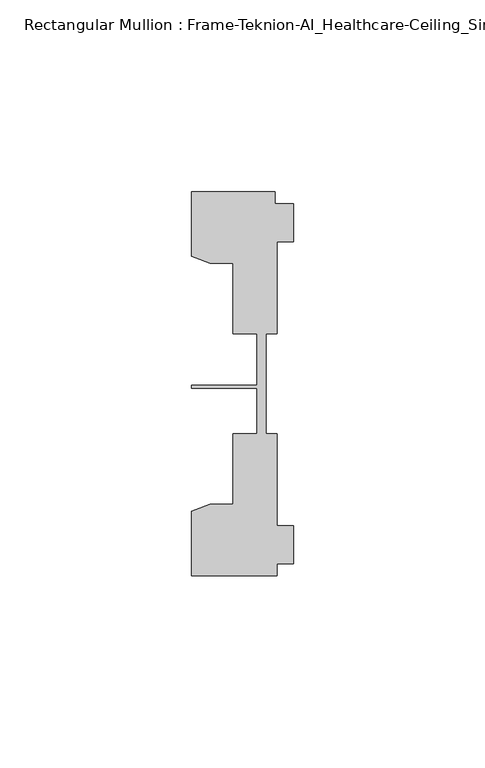
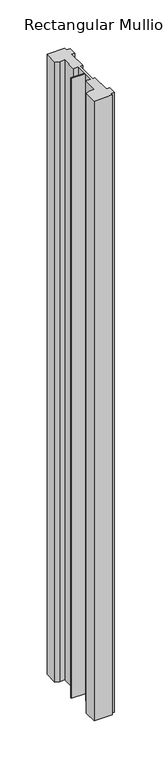
"""IFC4 building model written with IfcOpenShell, lengths in millimetres: member geometry, Rectangular Mullion : Frame-Teknion-AI_Healthcare-Ceiling_Single_Channel."""

from ifc_helpers import new_model, si_unit, frame, origin, place, context, project, spatial, polyline, outline, extrude, source, transform, mapped, element, save


def rectangular_mullion_frame_teknion_ai_healthcare_ceiling_9bc12ab3(model_context):
    return source(origin(), model_context, "Body", "SweptSolid", [
        extrude(outline(polyline([(-26.4921999, 34.0201677), (-26.4921999, 50.8315128), (-4.7752002, 50.8315128), (-4.7752002, 47.782071), (0.0, 47.782071), (0.0, 37.7820716), (-4.2672007, 37.7820716), (-4.2672007, 13.9110722), (-7.1647766, 13.9110722), (-7.1647766, 0.0814804), (-7.1647766, -12.2509301), (-4.2672007, -12.2509301), (-4.2672007, -36.1219249), (0.0, -36.1219249), (0.0, -46.1219322), (-4.2672007, -46.1219322), (-4.2672007, -49.1699293), (-26.4921999, -49.1699293), (-26.4921999, -32.3600207), (-21.6625199, -30.6279561), (-15.6737764, -30.6279561), (-15.6737764, -12.2509301), (-9.4507761, -12.2509301), (-9.4507761, -0.4036528), (-26.4921999, -0.4036528), (-26.4921999, 0.4036528), (-9.4507761, 0.4036528), (-9.4507761, 13.9110722), (-15.6737764, 13.9110722), (-15.6737764, 32.2880982), (-21.6625199, 32.2880982), (-26.4921999, 34.0201677)])), frame((0.0, 0.0, -803.7756656), z_axis=(0.0, 0.0, 1.0), x_axis=(1.0, 0.0, 0.0)), (0.0, 0.0, 1.0), 803.7756656),
    ])


if __name__ == "__main__":
    model = new_model("IFC4")
    model_context = context("Model", 3, world=origin())
    ifc_project = project(units=[si_unit("LENGTHUNIT", "METRE", prefix="MILLI")], contexts=[model_context])
    site = spatial("IfcSite", under=ifc_project)
    building = spatial("IfcBuilding", under=site)
    placement = place(None, origin())
    rectangular_mullion_frame_teknion_ai_healthcare_ceiling_shape = rectangular_mullion_frame_teknion_ai_healthcare_ceiling_9bc12ab3(model_context)
    element("IfcMember", 1, ObjectType="Rectangular Mullion : Frame-Teknion-AI_Healthcare-Ceiling_Single_Channel", at=placement, inside=building, context=model_context, shape_type="MappedRepresentation", body=[
        mapped(rectangular_mullion_frame_teknion_ai_healthcare_ceiling_shape, transform((0.0, 0.0, 0.0), x_axis=(1.0, 0.0, 0.0), y_axis=(0.0, 1.0, 0.0), z_axis=(0.0, 0.0, 1.0))),
    ])
    save(model, "model.ifc")
